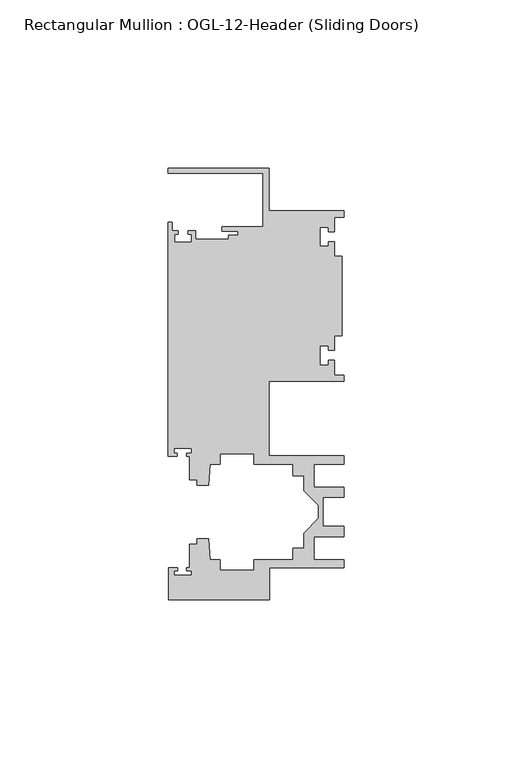
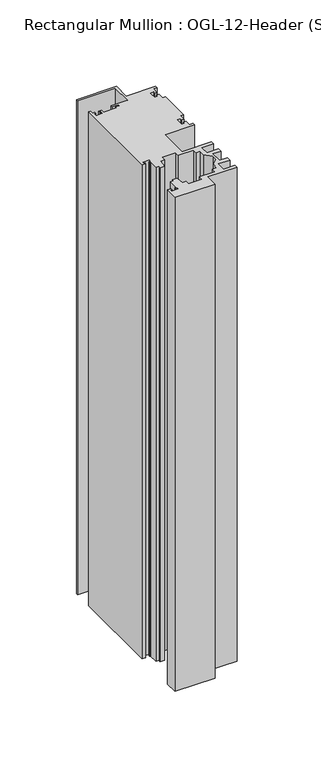
"""IFC4 building model written with IfcOpenShell, lengths in millimetres: member geometry, Rectangular Mullion : OGL-12-Header (Sliding Doors)."""

from ifc_helpers import new_model, si_unit, frame, origin, place, context, project, spatial, polyline, outline, extrude, source, transform, mapped, element, save


def rectangular_mullion_ogl_12_header_sliding_doors_707e5945(model_context):
    return source(origin(), model_context, "Body", "SweptSolid", [
        extrude(outline(polyline([(0.0, 25.4), (0.0, 23.488176), (-2.740223, 23.488176), (-2.740223, 19.1395859), (-4.5407068, 19.1395859), (-4.5407068, 20.5271706), (-7.0406862, 20.5271706), (-7.0406862, 14.7651725), (-4.5407047, 14.7651725), (-4.5407047, 16.1605952), (-2.740223, 16.1605952), (-2.740223, 11.8041704), (-0.508, 11.8041704), (-0.508, -11.8041704), (-2.740223, -11.8041704), (-2.740223, -16.1605952), (-4.5407047, -16.1605952), (-4.5407047, -14.7651725), (-7.0406862, -14.7651725), (-7.0406862, -20.5271706), (-4.5407068, -20.5271706), (-4.5407068, -19.1395859), (-2.740223, -19.1395859), (-2.740223, -23.488176), (0.0, -23.488176), (0.0, -25.4), (-22.2332898, -25.4), (-22.2332898, -47.513352), (-0.0082575, -47.513352), (-0.0082575, -50.013352), (-8.8582575, -50.013352), (-8.8582575, -56.8562795), (-0.0082575, -56.8562795), (-0.0082575, -59.8562795), (-6.1582575, -59.8562795), (-6.1582575, -68.5325565), (-0.0082575, -68.5325565), (-0.0082575, -71.5325565), (-8.8582575, -71.5325565), (-8.8582575, -78.375484), (-0.0082575, -78.375484), (-0.0082575, -80.875484), (-22.2032575, -80.875484), (-22.2032575, -90.3252352), (-52.2095715, -90.3252352), (-52.2095715, -80.7425364), (-49.5692346, -80.7425364), (-49.5692346, -81.7156466), (-50.6220715, -81.7156466), (-50.6220715, -83.0934363), (-45.3220715, -83.0934363), (-45.3220715, -81.7156466), (-46.8181909, -81.7156466), (-46.8181909, -80.7425364), (-45.9710366, -80.7425364), (-45.9710366, -73.7629518), (-43.7582575, -73.7629518), (-43.7582575, -72.175484), (-40.3395523, -72.175484), (-39.7961967, -78.3860669), (-36.8419772, -78.3860669), (-36.8419772, -81.550484), (-26.7462575, -81.550484), (-26.7462575, -78.375484), (-15.0768765, -78.375484), (-15.0768765, -74.975484), (-11.8582575, -74.975484), (-11.8582575, -70.4941892), (-7.4980859, -66.1340176), (-7.4980859, -62.2548184), (-11.8582575, -57.8946468), (-11.8582575, -53.413352), (-15.0768765, -53.413352), (-15.0768765, -50.013352), (-26.7462575, -50.013352), (-26.7462575, -46.838352), (-36.8419772, -46.838352), (-36.8419772, -50.0027691), (-39.7961967, -50.0027691), (-40.3395523, -56.213352), (-43.7582575, -56.213352), (-43.7582575, -54.6622994), (-45.9710366, -54.6622994), (-45.9710366, -47.583496), (-46.769305, -47.583496), (-46.769305, -46.7096046), (-45.3220715, -46.7096046), (-45.3220715, -45.3318149), (-50.6220715, -45.3318149), (-50.6220715, -46.7096046), (-49.5910554, -46.7096046), (-49.5910554, -47.583496), (-52.3921824, -47.583496), (-52.3921824, 21.9710976), (-51.1362531, 21.9710976), (-51.1362531, 19.4824275), (-49.3568347, 19.4824275), (-49.3568347, 18.4751625), (-50.359397, 18.4751625), (-50.359397, 15.9751675), (-45.359407, 15.9751675), (-45.359407, 18.4751625), (-46.3304245, 18.4751625), (-46.3304245, 19.4824275), (-44.1094055, 19.4824275), (-44.1094055, 16.8641675), (-34.2833684, 16.8641675), (-34.2833684, 18.1510261), (-31.5444935, 18.1510261), (-31.5444935, 19.3006707), (-36.2104247, 19.3006707), (-36.2104247, 20.5916734), (-24.0747898, 20.5916734), (-24.0747898, 36.512516), (-52.3921824, 36.512516), (-52.3921824, 38.0996792), (-22.2332898, 38.0996792), (-22.2332898, 25.4), (0.0, 25.4)])), frame((0.0, 0.0, -393.7), z_axis=(0.0, 0.0, 1.0), x_axis=(1.0, 0.0, 0.0)), (0.0, 0.0, 1.0), 393.7),
    ])


if __name__ == "__main__":
    model = new_model("IFC4")
    model_context = context("Model", 3, world=origin())
    ifc_project = project(units=[si_unit("LENGTHUNIT", "METRE", prefix="MILLI")], contexts=[model_context])
    site = spatial("IfcSite", under=ifc_project)
    building = spatial("IfcBuilding", under=site)
    placement = place(None, origin())
    rectangular_mullion_ogl_12_header_sliding_doors_shape = rectangular_mullion_ogl_12_header_sliding_doors_707e5945(model_context)
    element("IfcMember", 1, ObjectType="Rectangular Mullion : OGL-12-Header (Sliding Doors)", at=placement, inside=building, context=model_context, shape_type="MappedRepresentation", body=[
        mapped(rectangular_mullion_ogl_12_header_sliding_doors_shape, transform((0.0, 0.0, 0.0), x_axis=(1.0, 0.0, 0.0), y_axis=(0.0, 1.0, 0.0), z_axis=(0.0, 0.0, 1.0))),
    ])
    save(model, "model.ifc")
